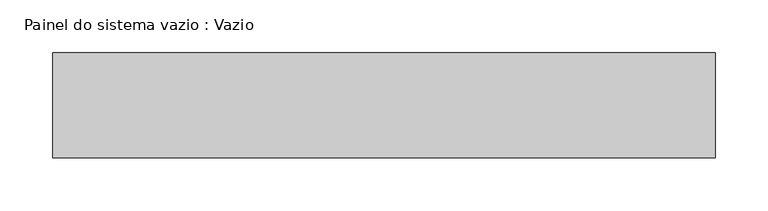
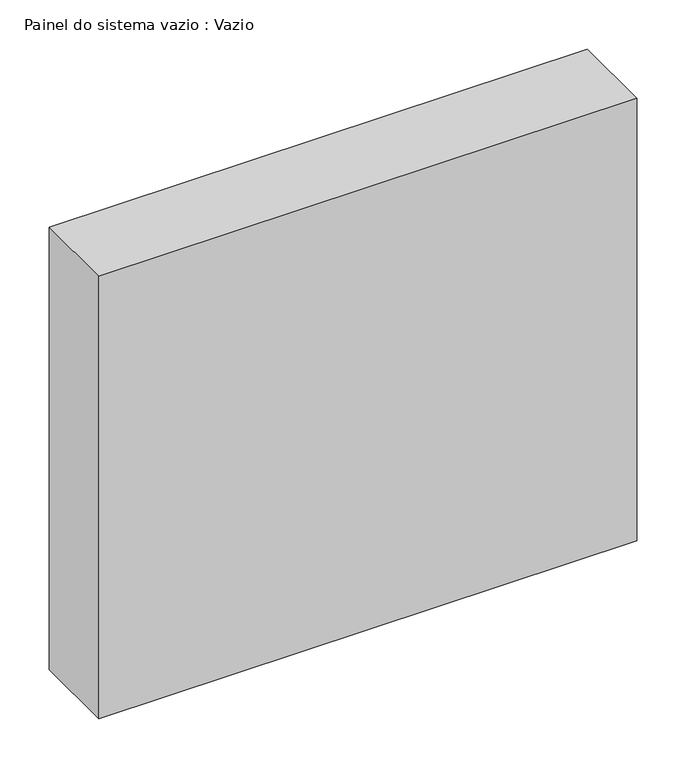
"""IFC4 building model written with IfcOpenShell, lengths in millimetres: plate geometry, Painel do sistema vazio : Vazio."""

import ifcopenshell
import ifcopenshell.guid

model = None  # the IFC model being written
_history = None  # IfcOwnerHistory: only IFC2X3 demands one
_inside = {}  # id of a spatial element -> (the spatial element, [elements in it])
_under = {}  # id of a project, library or spatial element -> (it, [spatial elements below it])
_declared = {}  # id of a project -> (the project, [libraries it declares])
_typed = {}  # id of a type object -> (the type object, [elements of that type])
_made_of = {}  # id of a material, layer set ... -> (it, [elements and type objects made of it])


def new_model(schema):
    """Start an empty IFC model of exactly this schema.

    Asked for "IFC4X3", IfcOpenShell would pick the latest addendum, in which some entities
    have other attributes; the version numbers below select the first issue.
    IFC2X3 requires an IfcOwnerHistory on every rooted entity: one is made here for all.
    """
    global model, _history
    if schema == "IFC4X3":
        model = ifcopenshell.file(schema_version=(4, 3, 0, 0))
    else:
        model = ifcopenshell.file(schema=schema)
    _inside.clear()
    _under.clear()
    _declared.clear()
    _typed.clear()
    _made_of.clear()
    _history = None
    if model.schema == "IFC2X3":
        org = make("IfcOrganization", Name="unknown")
        user = make(
            "IfcPersonAndOrganization",
            ThePerson=make("IfcPerson", FamilyName="unknown"),
            TheOrganization=org,
        )
        app = make(
            "IfcApplication",
            ApplicationDeveloper=org,
            Version="unknown",
            ApplicationFullName="unknown",
            ApplicationIdentifier="unknown",
        )
        _history = make(
            "IfcOwnerHistory",
            OwningUser=user,
            OwningApplication=app,
            ChangeAction="ADDED",
            CreationDate=0,
        )
    return model


def make(cls, **values):
    """One entity of the class cls with the attributes given. An attribute that is None is left unset."""
    return model.create_entity(
        cls, **{name: value for name, value in values.items() if value is not None}
    )


def rooted(cls, **values):
    """An entity with a GlobalId (a new one), such as an element, a storey or a relation."""
    return make(cls, GlobalId=ifcopenshell.guid.new(), OwnerHistory=_history, **values)


def si_unit(unit_type, name, prefix=None):
    """IfcSIUnit, for example si_unit("LENGTHUNIT", "METRE", prefix="MILLI")."""
    return make("IfcSIUnit", UnitType=unit_type, Prefix=prefix, Name=name)


def assignment(units):
    """IfcUnitAssignment: the units of a project."""
    return None if units is None else make("IfcUnitAssignment", Units=units)


def point(xyz):
    """IfcCartesianPoint."""
    return None if xyz is None else make("IfcCartesianPoint", Coordinates=xyz)


def direction(xyz):
    """IfcDirection."""
    return None if xyz is None else make("IfcDirection", DirectionRatios=xyz)


def frame(location, z_axis=None, x_axis=None):
    """IfcAxis2Placement3D, a coordinate frame: its origin and axes. An axis left out is left unset."""
    return make(
        "IfcAxis2Placement3D",
        Location=point(location),
        Axis=direction(z_axis),
        RefDirection=direction(x_axis),
    )


def origin():
    """The frame at (0, 0, 0) with its axes left unset."""
    return frame((0.0, 0.0, 0.0))


def origin_with_axes():
    """The frame at (0, 0, 0) with the z axis (0, 0, 1) and the x axis (1, 0, 0) written out."""
    return frame((0.0, 0.0, 0.0), z_axis=(0.0, 0.0, 1.0), x_axis=(1.0, 0.0, 0.0))


def place(relative_to, where):
    """IfcLocalPlacement: puts the frame where relative to a parent placement (None: the world)."""
    return make(
        "IfcLocalPlacement", PlacementRelTo=relative_to, RelativePlacement=where
    )


def context(
    kind, dimensions, precision=None, world=None, true_north=None, identifier=None
):
    """IfcGeometricRepresentationContext, for example the 3D "Model" context."""
    return make(
        "IfcGeometricRepresentationContext",
        ContextIdentifier=identifier,
        ContextType=kind,
        CoordinateSpaceDimension=dimensions,
        Precision=precision,
        WorldCoordinateSystem=world,
        TrueNorth=true_north,
    )


def project(units=None, contexts=None):
    """IfcProject with its units and contexts."""
    return rooted(
        "IfcProject",
        Name="project",
        RepresentationContexts=contexts,
        UnitsInContext=assignment(units),
    )


def spatial(cls, under=None, at=None, **own):
    """A site, building, storey or space (cls), placed at a placement, below another one or the project."""
    s = rooted(cls, ObjectPlacement=at, **own)
    if under is not None:
        _under.setdefault(under.id(), (under, []))[1].append(s)
    return s


def polyline(points):
    """IfcPolyline through the points."""
    return make("IfcPolyline", Points=[point(p) for p in points])


def outline(outer, holes=None, kind="AREA"):
    """IfcArbitraryClosedProfileDef: a profile drawn as a closed curve; with holes, ...WithVoids."""
    if holes is None:
        return make("IfcArbitraryClosedProfileDef", ProfileType=kind, OuterCurve=outer)
    return make(
        "IfcArbitraryProfileDefWithVoids",
        ProfileType=kind,
        OuterCurve=outer,
        InnerCurves=holes,
    )


def extrude(swept, where, along, depth):
    """IfcExtrudedAreaSolid: the profile swept, set in the frame where, extruded along a direction by depth."""
    return make(
        "IfcExtrudedAreaSolid",
        SweptArea=swept,
        Position=where,
        ExtrudedDirection=direction(along),
        Depth=depth,
    )


def shape(context_of_items, identifier, shape_type, items):
    """IfcShapeRepresentation: the items that make up one representation, for example the "Body"."""
    return make(
        "IfcShapeRepresentation",
        ContextOfItems=context_of_items,
        RepresentationIdentifier=identifier,
        RepresentationType=shape_type,
        Items=items,
    )


def source(mapping_origin, context_of_items, identifier, shape_type, items):
    """IfcRepresentationMap: a shape defined once, which mapped items show again and again."""
    return make(
        "IfcRepresentationMap",
        MappingOrigin=mapping_origin,
        MappedRepresentation=shape(context_of_items, identifier, shape_type, items),
    )


def transform(
    local_origin,
    x_axis=None,
    y_axis=None,
    z_axis=None,
    scale=None,
    scale2=None,
    scale3=None,
    uniform=True,
):
    """IfcCartesianTransformationOperator3D, or its non-uniform kind. x_axis, y_axis, z_axis: its Axis1, 2, 3."""
    if uniform:
        return make(
            "IfcCartesianTransformationOperator3D",
            Axis1=direction(x_axis),
            Axis2=direction(y_axis),
            LocalOrigin=point(local_origin),
            Scale=scale,
            Axis3=direction(z_axis),
        )
    return make(
        "IfcCartesianTransformationOperator3DnonUniform",
        Axis1=direction(x_axis),
        Axis2=direction(y_axis),
        LocalOrigin=point(local_origin),
        Scale=scale,
        Axis3=direction(z_axis),
        Scale2=scale2,
        Scale3=scale3,
    )


def mapped(mapping_source, mapping_target):
    """IfcMappedItem: shows the shape of a source again, moved by a transform."""
    return make(
        "IfcMappedItem", MappingSource=mapping_source, MappingTarget=mapping_target
    )


def made_of(thing, what):
    """Note that an element or type object is made of a material, layer set ...; save() writes the relation."""
    if what is not None:
        _made_of.setdefault(what.id(), (what, []))[1].append(thing)
    return thing


def element(
    cls,
    number,
    at=None,
    inside=None,
    cuts=None,
    type_object=None,
    material=None,
    context=None,
    identifier="Body",
    shape_type=None,
    held_by="IfcProductDefinitionShape",
    body=None,
    shapes=None,
    **own,
):
    """One element of the class cls, such as IfcWall. Its Tag is "e" and its number.

    at: its placement. inside: the storey or other place that contains it. cuts: it is an
    opening in that element (IfcRelVoidsElement). A single representation is given by context,
    identifier, shape_type and body (its items); several are given by shapes. held_by: the class
    of the entity that holds the representations. save() writes the other relations.
    """
    e = rooted(cls, Tag="e%d" % number, ObjectPlacement=at, **own)
    if body is not None:
        shapes = [shape(context, identifier, shape_type, body)]
    if shapes is not None:
        e.Representation = make(held_by, Representations=shapes)
    if inside is not None:
        _inside.setdefault(inside.id(), (inside, []))[1].append(e)
    if cuts is not None:
        rooted(
            "IfcRelVoidsElement", RelatingBuildingElement=cuts, RelatedOpeningElement=e
        )
    if type_object is not None:
        _typed.setdefault(type_object.id(), (type_object, []))[1].append(e)
    return made_of(e, material)


def aggregate(whole, parts):
    """IfcRelAggregates: a whole, such as a stair, and the parts it consists of."""
    return rooted("IfcRelAggregates", RelatingObject=whole, RelatedObjects=parts)


def save(model, path):
    """Write the relations noted so far, then the file.

    IfcRelAggregates (storeys below a building ...), IfcRelContainedInSpatialStructure (elements
    in a storey), IfcRelDefinesByType, IfcRelAssociatesMaterial and IfcRelDeclares: one each for
    every whole, place, type object, material and project.
    """
    for whole, parts in _under.values():
        aggregate(whole, parts)
    for where, things in _inside.values():
        rooted(
            "IfcRelContainedInSpatialStructure",
            RelatedElements=things,
            RelatingStructure=where,
        )
    for kind, things in _typed.values():
        rooted("IfcRelDefinesByType", RelatedObjects=things, RelatingType=kind)
    for what, things in _made_of.values():
        rooted("IfcRelAssociatesMaterial", RelatedObjects=things, RelatingMaterial=what)
    for by, libraries in _declared.values():
        rooted("IfcRelDeclares", RelatingContext=by, RelatedDefinitions=libraries)
    model.write(path)


def painel_do_sistema_vazio_vazio_e5b7a8c3(model_context):
    return source(origin(), model_context, "Body", "SweptSolid", [
        extrude(outline(polyline([(315.0, -50.0), (-315.0, -50.0), (-315.0, 50.0), (315.0, 50.0), (315.0, -50.0)])), origin_with_axes(), (0.0, 0.0, 1.0), 547.5),
    ])


if __name__ == "__main__":
    model = new_model("IFC4")
    model_context = context("Model", 3, world=origin())
    ifc_project = project(units=[si_unit("LENGTHUNIT", "METRE", prefix="MILLI")], contexts=[model_context])
    site = spatial("IfcSite", under=ifc_project)
    building = spatial("IfcBuilding", under=site)
    placement = place(None, origin())
    painel_do_sistema_vazio_vazio_shape = painel_do_sistema_vazio_vazio_e5b7a8c3(model_context)
    element("IfcPlate", 1, ObjectType="Painel do sistema vazio : Vazio", at=placement, inside=building, context=model_context, shape_type="MappedRepresentation", body=[
        mapped(painel_do_sistema_vazio_vazio_shape, transform((0.0, 0.0, 0.0), x_axis=(1.0, 0.0, 0.0), y_axis=(0.0, 1.0, 0.0), z_axis=(0.0, 0.0, 1.0))),
    ])
    save(model, "model.ifc")
